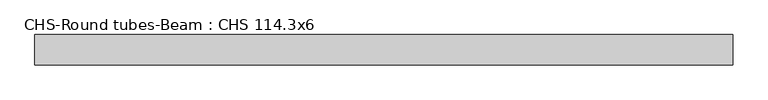
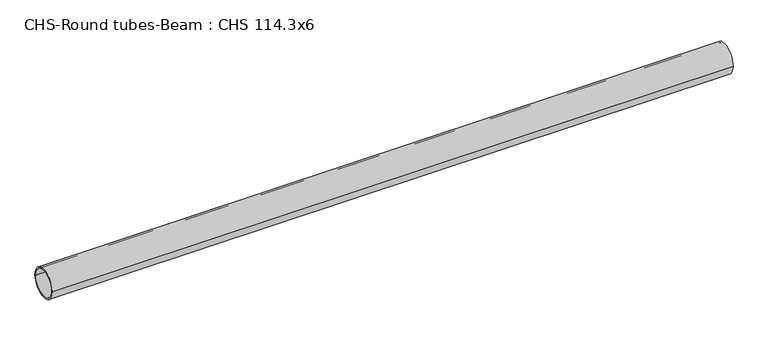
"""IFC4 building model written with IfcOpenShell, lengths in millimetres: beam geometry, CHS-Round tubes-Beam : CHS 114.3x6."""

import ifcopenshell
import ifcopenshell.guid

model = None  # the IFC model being written
_history = None  # IfcOwnerHistory: only IFC2X3 demands one
_inside = {}  # id of a spatial element -> (the spatial element, [elements in it])
_under = {}  # id of a project, library or spatial element -> (it, [spatial elements below it])
_declared = {}  # id of a project -> (the project, [libraries it declares])
_typed = {}  # id of a type object -> (the type object, [elements of that type])
_made_of = {}  # id of a material, layer set ... -> (it, [elements and type objects made of it])


def new_model(schema):
    """Start an empty IFC model of exactly this schema.

    Asked for "IFC4X3", IfcOpenShell would pick the latest addendum, in which some entities
    have other attributes; the version numbers below select the first issue.
    IFC2X3 requires an IfcOwnerHistory on every rooted entity: one is made here for all.
    """
    global model, _history
    if schema == "IFC4X3":
        model = ifcopenshell.file(schema_version=(4, 3, 0, 0))
    else:
        model = ifcopenshell.file(schema=schema)
    _inside.clear()
    _under.clear()
    _declared.clear()
    _typed.clear()
    _made_of.clear()
    _history = None
    if model.schema == "IFC2X3":
        org = make("IfcOrganization", Name="unknown")
        user = make(
            "IfcPersonAndOrganization",
            ThePerson=make("IfcPerson", FamilyName="unknown"),
            TheOrganization=org,
        )
        app = make(
            "IfcApplication",
            ApplicationDeveloper=org,
            Version="unknown",
            ApplicationFullName="unknown",
            ApplicationIdentifier="unknown",
        )
        _history = make(
            "IfcOwnerHistory",
            OwningUser=user,
            OwningApplication=app,
            ChangeAction="ADDED",
            CreationDate=0,
        )
    return model


def make(cls, **values):
    """One entity of the class cls with the attributes given. An attribute that is None is left unset."""
    return model.create_entity(
        cls, **{name: value for name, value in values.items() if value is not None}
    )


def rooted(cls, **values):
    """An entity with a GlobalId (a new one), such as an element, a storey or a relation."""
    return make(cls, GlobalId=ifcopenshell.guid.new(), OwnerHistory=_history, **values)


def si_unit(unit_type, name, prefix=None):
    """IfcSIUnit, for example si_unit("LENGTHUNIT", "METRE", prefix="MILLI")."""
    return make("IfcSIUnit", UnitType=unit_type, Prefix=prefix, Name=name)


def assignment(units):
    """IfcUnitAssignment: the units of a project."""
    return None if units is None else make("IfcUnitAssignment", Units=units)


def point(xyz):
    """IfcCartesianPoint."""
    return None if xyz is None else make("IfcCartesianPoint", Coordinates=xyz)


def direction(xyz):
    """IfcDirection."""
    return None if xyz is None else make("IfcDirection", DirectionRatios=xyz)


def frame(location, z_axis=None, x_axis=None):
    """IfcAxis2Placement3D, a coordinate frame: its origin and axes. An axis left out is left unset."""
    return make(
        "IfcAxis2Placement3D",
        Location=point(location),
        Axis=direction(z_axis),
        RefDirection=direction(x_axis),
    )


def frame_2d(location, x_axis=None):
    """IfcAxis2Placement2D, a coordinate frame in the plane: its origin and x axis."""
    return make(
        "IfcAxis2Placement2D", Location=point(location), RefDirection=direction(x_axis)
    )


def origin():
    """The frame at (0, 0, 0) with its axes left unset."""
    return frame((0.0, 0.0, 0.0))


def origin_2d():
    """The frame at (0, 0) in the plane with its x axis left unset."""
    return frame_2d((0.0, 0.0))


def place(relative_to, where):
    """IfcLocalPlacement: puts the frame where relative to a parent placement (None: the world)."""
    return make(
        "IfcLocalPlacement", PlacementRelTo=relative_to, RelativePlacement=where
    )


def context(
    kind, dimensions, precision=None, world=None, true_north=None, identifier=None
):
    """IfcGeometricRepresentationContext, for example the 3D "Model" context."""
    return make(
        "IfcGeometricRepresentationContext",
        ContextIdentifier=identifier,
        ContextType=kind,
        CoordinateSpaceDimension=dimensions,
        Precision=precision,
        WorldCoordinateSystem=world,
        TrueNorth=true_north,
    )


def project(units=None, contexts=None):
    """IfcProject with its units and contexts."""
    return rooted(
        "IfcProject",
        Name="project",
        RepresentationContexts=contexts,
        UnitsInContext=assignment(units),
    )


def spatial(cls, under=None, at=None, **own):
    """A site, building, storey or space (cls), placed at a placement, below another one or the project."""
    s = rooted(cls, ObjectPlacement=at, **own)
    if under is not None:
        _under.setdefault(under.id(), (under, []))[1].append(s)
    return s


def circle_curve(where, radius):
    """IfcCircle in the frame where."""
    return make("IfcCircle", Position=where, Radius=radius)


def trimmed(basis, trim1, trim2, sense, master):
    """IfcTrimmedCurve: the piece of a basis curve between two trims."""
    return make(
        "IfcTrimmedCurve",
        BasisCurve=basis,
        Trim1=trim1,
        Trim2=trim2,
        SenseAgreement=sense,
        MasterRepresentation=master,
    )


def segment(curve, same_sense, transition):
    """IfcCompositeCurveSegment."""
    return make(
        "IfcCompositeCurveSegment",
        Transition=transition,
        SameSense=same_sense,
        ParentCurve=curve,
    )


def composite_curve(segments, self_intersect=None):
    """IfcCompositeCurve: segments joined end to end."""
    return make("IfcCompositeCurve", Segments=segments, SelfIntersect=self_intersect)


def outline(outer, holes=None, kind="AREA"):
    """IfcArbitraryClosedProfileDef: a profile drawn as a closed curve; with holes, ...WithVoids."""
    if holes is None:
        return make("IfcArbitraryClosedProfileDef", ProfileType=kind, OuterCurve=outer)
    return make(
        "IfcArbitraryProfileDefWithVoids",
        ProfileType=kind,
        OuterCurve=outer,
        InnerCurves=holes,
    )


def extrude(swept, where, along, depth):
    """IfcExtrudedAreaSolid: the profile swept, set in the frame where, extruded along a direction by depth."""
    return make(
        "IfcExtrudedAreaSolid",
        SweptArea=swept,
        Position=where,
        ExtrudedDirection=direction(along),
        Depth=depth,
    )


def shape(context_of_items, identifier, shape_type, items):
    """IfcShapeRepresentation: the items that make up one representation, for example the "Body"."""
    return make(
        "IfcShapeRepresentation",
        ContextOfItems=context_of_items,
        RepresentationIdentifier=identifier,
        RepresentationType=shape_type,
        Items=items,
    )


def source(mapping_origin, context_of_items, identifier, shape_type, items):
    """IfcRepresentationMap: a shape defined once, which mapped items show again and again."""
    return make(
        "IfcRepresentationMap",
        MappingOrigin=mapping_origin,
        MappedRepresentation=shape(context_of_items, identifier, shape_type, items),
    )


def transform(
    local_origin,
    x_axis=None,
    y_axis=None,
    z_axis=None,
    scale=None,
    scale2=None,
    scale3=None,
    uniform=True,
):
    """IfcCartesianTransformationOperator3D, or its non-uniform kind. x_axis, y_axis, z_axis: its Axis1, 2, 3."""
    if uniform:
        return make(
            "IfcCartesianTransformationOperator3D",
            Axis1=direction(x_axis),
            Axis2=direction(y_axis),
            LocalOrigin=point(local_origin),
            Scale=scale,
            Axis3=direction(z_axis),
        )
    return make(
        "IfcCartesianTransformationOperator3DnonUniform",
        Axis1=direction(x_axis),
        Axis2=direction(y_axis),
        LocalOrigin=point(local_origin),
        Scale=scale,
        Axis3=direction(z_axis),
        Scale2=scale2,
        Scale3=scale3,
    )


def mapped(mapping_source, mapping_target):
    """IfcMappedItem: shows the shape of a source again, moved by a transform."""
    return make(
        "IfcMappedItem", MappingSource=mapping_source, MappingTarget=mapping_target
    )


def made_of(thing, what):
    """Note that an element or type object is made of a material, layer set ...; save() writes the relation."""
    if what is not None:
        _made_of.setdefault(what.id(), (what, []))[1].append(thing)
    return thing


def element(
    cls,
    number,
    at=None,
    inside=None,
    cuts=None,
    type_object=None,
    material=None,
    context=None,
    identifier="Body",
    shape_type=None,
    held_by="IfcProductDefinitionShape",
    body=None,
    shapes=None,
    **own,
):
    """One element of the class cls, such as IfcWall. Its Tag is "e" and its number.

    at: its placement. inside: the storey or other place that contains it. cuts: it is an
    opening in that element (IfcRelVoidsElement). A single representation is given by context,
    identifier, shape_type and body (its items); several are given by shapes. held_by: the class
    of the entity that holds the representations. save() writes the other relations.
    """
    e = rooted(cls, Tag="e%d" % number, ObjectPlacement=at, **own)
    if body is not None:
        shapes = [shape(context, identifier, shape_type, body)]
    if shapes is not None:
        e.Representation = make(held_by, Representations=shapes)
    if inside is not None:
        _inside.setdefault(inside.id(), (inside, []))[1].append(e)
    if cuts is not None:
        rooted(
            "IfcRelVoidsElement", RelatingBuildingElement=cuts, RelatedOpeningElement=e
        )
    if type_object is not None:
        _typed.setdefault(type_object.id(), (type_object, []))[1].append(e)
    return made_of(e, material)


def aggregate(whole, parts):
    """IfcRelAggregates: a whole, such as a stair, and the parts it consists of."""
    return rooted("IfcRelAggregates", RelatingObject=whole, RelatedObjects=parts)


def save(model, path):
    """Write the relations noted so far, then the file.

    IfcRelAggregates (storeys below a building ...), IfcRelContainedInSpatialStructure (elements
    in a storey), IfcRelDefinesByType, IfcRelAssociatesMaterial and IfcRelDeclares: one each for
    every whole, place, type object, material and project.
    """
    for whole, parts in _under.values():
        aggregate(whole, parts)
    for where, things in _inside.values():
        rooted(
            "IfcRelContainedInSpatialStructure",
            RelatedElements=things,
            RelatingStructure=where,
        )
    for kind, things in _typed.values():
        rooted("IfcRelDefinesByType", RelatedObjects=things, RelatingType=kind)
    for what, things in _made_of.values():
        rooted("IfcRelAssociatesMaterial", RelatedObjects=things, RelatingMaterial=what)
    for by, libraries in _declared.values():
        rooted("IfcRelDeclares", RelatingContext=by, RelatedDefinitions=libraries)
    model.write(path)


def chs_round_tubes_beam_chs_114_3x6_a4a36aff(model_context):
    return source(origin(), model_context, "Body", "SweptSolid", [
        extrude(outline(composite_curve([segment(trimmed(circle_curve(origin_2d(), 57.15), [point((57.15, 0.0))], [point((-57.15, 0.0))], False, "CARTESIAN"), True, "CONTINUOUS"), segment(trimmed(circle_curve(origin_2d(), 57.15), [point((-57.15, 0.0))], [point((57.15, 0.0))], False, "CARTESIAN"), True, "CONTINUOUS")], self_intersect=False), holes=[composite_curve([segment(trimmed(circle_curve(origin_2d(), 51.15), [point((51.15, 0.0))], [point((-51.15, 0.0))], True, "CARTESIAN"), True, "CONTINUOUS"), segment(trimmed(circle_curve(origin_2d(), 51.15), [point((-51.15, 0.0))], [point((51.15, 0.0))], True, "CARTESIAN"), True, "CONTINUOUS")], self_intersect=False)]), frame((-1228.0843409, 0.0, 0.0), z_axis=(1.0, 0.0, 0.0), x_axis=(0.0, 1.0, 0.0)), (0.0, 0.0, 1.0), 2610.9447299),
    ])


if __name__ == "__main__":
    model = new_model("IFC4")
    model_context = context("Model", 3, world=origin())
    ifc_project = project(units=[si_unit("LENGTHUNIT", "METRE", prefix="MILLI")], contexts=[model_context])
    site = spatial("IfcSite", under=ifc_project)
    building = spatial("IfcBuilding", under=site)
    placement = place(None, origin())
    chs_round_tubes_beam_chs_114_3x6_shape = chs_round_tubes_beam_chs_114_3x6_a4a36aff(model_context)
    element("IfcBeam", 1, ObjectType="CHS-Round tubes-Beam : CHS 114.3x6", at=placement, inside=building, context=model_context, shape_type="MappedRepresentation", body=[
        mapped(chs_round_tubes_beam_chs_114_3x6_shape, transform((0.0, 0.0, 0.0), x_axis=(1.0, 0.0, 0.0), y_axis=(0.0, 1.0, 0.0), z_axis=(0.0, 0.0, 1.0))),
    ])
    save(model, "model.ifc")
